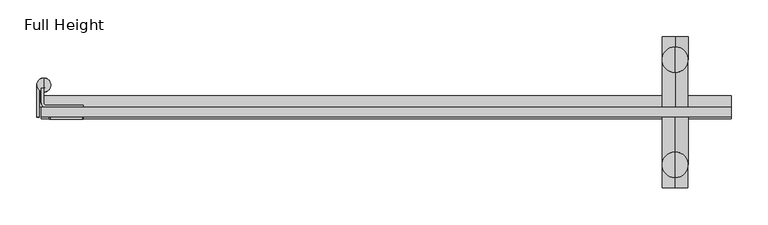
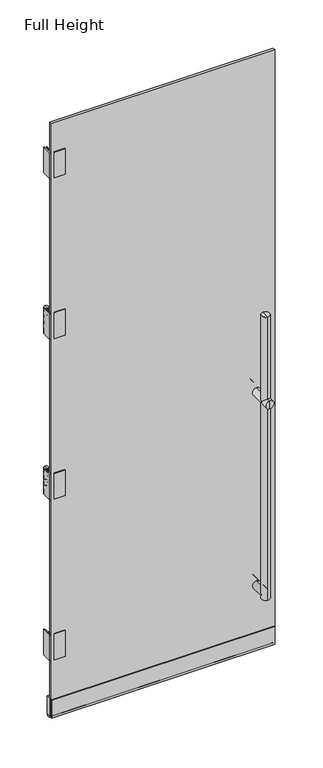
"""IFC4 building model written with IfcOpenShell, lengths in millimetres: plate geometry, Full Height."""

from ifc_helpers import new_model, si_unit, point, frame, frame_2d, origin, place, context, project, spatial, polyline, circle_curve, ellipse_curve, trimmed, segment, composite_curve, outline, extrude, source, transform, mapped, element, save
from ifc_brep_helpers import plane_surface, cylinder_surface, revolved_surface, advanced_brep


def full_height_bf06383c(model_context):
    return source(origin(), model_context, "Body", "SolidModel", [
        advanced_brep(
        [(393.4177824, 57.4935, 12.7), (393.4177824, 57.4935, 282.5375), (375.9177824, 74.9935, 300.0375), (393.4177824, 57.4935, 317.5375), (393.4177824, 57.4935, 1138.2127), (375.9177824, 74.9935, 1155.7127), (393.4177824, 92.4935, 1138.2127), (393.4177824, 92.4935, 12.7), (393.4177824, 92.4935, 1536.7), (393.4177824, 92.4935, 1173.2127), (393.4177824, 57.4935, 1173.2127), (393.4177824, 57.4935, 1536.7), (393.4177824, 74.9935, 1536.7), (393.4177824, -50.3815, 1536.7), (393.4177824, -67.8815, 1536.7), (393.4177824, -85.3815, 1536.7), (393.4177824, -85.3815, 282.5375), (393.4177824, -67.8815, 282.5375), (393.4177824, -50.3815, 282.5375), (393.4177824, 9.906, 282.5375), (410.9177824, 74.9935, 300.0375), (393.4177824, 9.906, 317.5375), (393.4177824, -2.794, 282.5375), (375.9177824, -67.8815, 300.0375), (393.4177824, -50.3815, 317.5375), (393.4177824, -2.794, 317.5375), (393.4177824, -2.794, 312.5375), (393.4177824, 9.906, 312.5375), (393.4177824, 9.906, 287.5375), (393.4177824, -2.794, 287.5375), (393.4177824, 105.906, 1138.2127), (393.4177824, 105.906, 1173.2127), (393.4177824, 9.906, 1173.2127), (393.4177824, 9.906, 1138.2127), (393.4177824, 9.906, 1168.2127), (393.4177824, 9.906, 1143.2127), (393.4177824, 105.906, 1155.7127), (410.9177824, 74.9935, 1155.7127), (393.4177824, -2.794, 1168.2127), (393.4177824, -2.794, 1143.2127), (393.4177824, -2.794, 1173.2127), (393.4177824, -2.794, 1138.2127), (393.4177824, -50.3815, 1173.2127), (410.9177824, -67.8815, 1155.7127), (393.4177824, -50.3815, 1138.2127), (393.4177824, -98.794, 1138.2127), (393.4177824, -85.3815, 1138.2127), (393.4177824, -85.3815, 1173.2127), (393.4177824, -98.794, 1173.2127), (375.9177824, -67.8815, 1155.7127), (393.4177824, -98.794, 1155.7127), (393.4177824, 74.9935, 12.7), (410.9177824, -67.8815, 300.0375)],
        [
            (0, 1),
            (1, 2, ellipse_curve(frame((393.4177824, 74.9935, 300.0375), z_axis=(0.0, 0.7071067811865475, -0.7071067811865476), x_axis=(0.0, 0.7071067811865476, 0.7071067811865474)), 24.7487373, 17.5)),
            (2, 3, ellipse_curve(frame((393.4177824, 74.9935, 300.0375), z_axis=(0.0, 0.7071067811865475, 0.7071067811865475), x_axis=(0.0, -0.7071067811865474, 0.7071067811865477)), 24.7487373, 17.5)),
            (3, 4),
            (4, 5, ellipse_curve(frame((393.4177824, 74.9935, 1155.7127), z_axis=(0.0, 0.7071067811865475, -0.7071067811865476), x_axis=(0.0, 0.7071067811865476, 0.7071067811865474)), 24.7487373, 17.5)),
            (5, 6, ellipse_curve(frame((393.4177824, 74.9935, 1155.7127), z_axis=(0.0, -0.7071067811865475, -0.7071067811865475), x_axis=(0.0, -0.7071067811865474, 0.7071067811865477)), 24.7487373, 17.5)),
            (6, 7),
            (7, 0, circle_curve(frame((393.4177824, 74.9935, 12.7), z_axis=(0.0, 0.0, 1.0), x_axis=(0.0, 1.0, 0.0)), 17.5)),
            (8, 9),
            (9, 5, ellipse_curve(frame((393.4177824, 74.9935, 1155.7127), z_axis=(0.0, -0.7071067811865475, 0.7071067811865476), x_axis=(0.0, 0.7071067811865476, 0.7071067811865474)), 24.7487373, 17.5)),
            (5, 10, ellipse_curve(frame((393.4177824, 74.9935, 1155.7127), z_axis=(0.0, 0.7071067811865475, 0.7071067811865475), x_axis=(0.0, -0.7071067811865474, 0.7071067811865477)), 24.7487373, 17.5)),
            (10, 11),
            (11, 8, circle_curve(frame((393.4177824, 74.9935, 1536.7), z_axis=(0.0, 0.0, -1.0), x_axis=(0.0, 1.0, 0.0)), 17.5)),
            (8, 12),
            (12, 11),
            (11, 8, circle_curve(frame((393.4177824, 74.9935, 1536.7), z_axis=(0.0, 0.0, 1.0), x_axis=(0.0, 1.0, 0.0)), 17.5)),
            (13, 14),
            (14, 15),
            (15, 13, circle_curve(frame((393.4177824, -67.8815, 1536.7), z_axis=(0.0, 0.0, 1.0), x_axis=(0.0, -1.0, 0.0)), 17.5)),
            (13, 15, circle_curve(frame((393.4177824, -67.8815, 1536.7), z_axis=(0.0, 0.0, 1.0), x_axis=(0.0, -1.0, 0.0)), 17.5)),
            (16, 17),
            (17, 18),
            (18, 16, circle_curve(frame((393.4177824, -67.8815, 282.5375), z_axis=(0.0, 0.0, -1.0), x_axis=(0.0, -1.0, 0.0)), 17.5)),
            (19, 1),
            (1, 20, ellipse_curve(frame((393.4177824, 74.9935, 300.0375), z_axis=(0.0, -0.7071067811865475, 0.7071067811865476), x_axis=(0.0, 0.7071067811865476, 0.7071067811865475)), 24.7487373, 17.5)),
            (20, 3, ellipse_curve(frame((393.4177824, 74.9935, 300.0375), z_axis=(0.0, -0.7071067811865475, -0.7071067811865475), x_axis=(0.0, 0.7071067811865476, -0.7071067811865474)), 24.7487373, 17.5)),
            (3, 21),
            (21, 19, circle_curve(frame((393.4177824, 9.906, 300.0375), z_axis=(0.0, 1.0, 0.0), x_axis=(0.0, 0.0, -1.0)), 17.5)),
            (19, 21, circle_curve(frame((393.4177824, 9.906, 300.0375), z_axis=(0.0, 1.0, 0.0), x_axis=(0.0, 0.0, -1.0)), 17.5)),
            (22, 18),
            (18, 23, ellipse_curve(frame((393.4177824, -67.8815, 300.0375), z_axis=(0.0, 0.7071067811865475, 0.7071067811865476), x_axis=(0.0, 0.7071067811865476, -0.7071067811865475)), 24.7487373, 17.5)),
            (23, 24, ellipse_curve(frame((393.4177824, -67.8815, 300.0375), z_axis=(0.0, 0.7071067811865475, -0.7071067811865475), x_axis=(0.0, 0.7071067811865476, 0.7071067811865474)), 24.7487373, 17.5)),
            (24, 25),
            (25, 22, circle_curve(frame((393.4177824, -2.794, 300.0375), z_axis=(0.0, -1.0, 0.0), x_axis=(0.0, 0.0, -1.0)), 17.5)),
            (26, 27),
            (27, 28, circle_curve(frame((393.4177824, 9.906, 300.0375), z_axis=(0.0, -1.0, 0.0), x_axis=(0.0, 0.0, -1.0)), 12.5)),
            (28, 29),
            (29, 26, circle_curve(frame((393.4177824, -2.794, 300.0375), z_axis=(0.0, 1.0, 0.0), x_axis=(0.0, 0.0, -1.0)), 12.5)),
            (19, 28),
            (27, 21),
            (30, 6),
            (9, 31),
            (31, 30, circle_curve(frame((393.4177824, 105.906, 1155.7127), z_axis=(0.0, -1.0, 0.0), x_axis=(0.0, 0.0, 1.0)), 17.5)),
            (32, 10),
            (4, 33),
            (33, 32, circle_curve(frame((393.4177824, 9.906, 1155.7127), z_axis=(0.0, 1.0, 0.0), x_axis=(0.0, 0.0, 1.0)), 17.5)),
            (32, 34),
            (34, 35, circle_curve(frame((393.4177824, 9.906, 1155.7127), z_axis=(0.0, 1.0, 0.0), x_axis=(0.0, 0.0, 1.0)), 12.5)),
            (35, 33),
            (33, 32, circle_curve(frame((393.4177824, 9.906, 1155.7127), z_axis=(0.0, -1.0, 0.0), x_axis=(0.0, 0.0, 1.0)), 17.5)),
            (30, 36),
            (36, 31),
            (31, 30, circle_curve(frame((393.4177824, 105.906, 1155.7127), z_axis=(0.0, 1.0, 0.0), x_axis=(0.0, 0.0, 1.0)), 17.5)),
            (9, 37, ellipse_curve(frame((393.4177824, 74.9935, 1155.7127), z_axis=(0.0, 0.7071067811865475, -0.7071067811865476), x_axis=(0.0, -0.7071067811865476, -0.7071067811865475)), 24.7487373, 17.5)),
            (37, 6, ellipse_curve(frame((393.4177824, 74.9935, 1155.7127), z_axis=(0.0, 0.7071067811865475, 0.7071067811865475), x_axis=(0.0, -0.7071067811865476, 0.7071067811865474)), 24.7487373, 17.5)),
            (4, 37, ellipse_curve(frame((393.4177824, 74.9935, 1155.7127), z_axis=(0.0, -0.7071067811865475, 0.7071067811865476), x_axis=(0.0, -0.7071067811865476, -0.7071067811865475)), 24.7487373, 17.5)),
            (37, 10, ellipse_curve(frame((393.4177824, 74.9935, 1155.7127), z_axis=(0.0, -0.7071067811865475, -0.7071067811865475), x_axis=(0.0, -0.7071067811865476, 0.7071067811865474)), 24.7487373, 17.5)),
            (35, 34, circle_curve(frame((393.4177824, 9.906, 1155.7127), z_axis=(0.0, 1.0, 0.0), x_axis=(0.0, 0.0, 1.0)), 12.5)),
            (34, 38),
            (38, 39, circle_curve(frame((393.4177824, -2.794, 1155.7127), z_axis=(0.0, 1.0, 0.0), x_axis=(0.0, 0.0, 1.0)), 12.5)),
            (39, 35),
            (39, 38, circle_curve(frame((393.4177824, -2.794, 1155.7127), z_axis=(0.0, 1.0, 0.0), x_axis=(0.0, 0.0, 1.0)), 12.5)),
            (38, 40),
            (40, 41, circle_curve(frame((393.4177824, -2.794, 1155.7127), z_axis=(0.0, 1.0, 0.0), x_axis=(0.0, 0.0, 1.0)), 17.5)),
            (41, 39),
            (41, 40, circle_curve(frame((393.4177824, -2.794, 1155.7127), z_axis=(0.0, 1.0, 0.0), x_axis=(0.0, 0.0, 1.0)), 17.5)),
            (40, 42),
            (42, 43, ellipse_curve(frame((393.4177824, -67.8815, 1155.7127), z_axis=(0.0, 0.7071067811865475, -0.7071067811865475), x_axis=(0.0, -0.7071067811865476, -0.7071067811865474)), 24.7487373, 17.5)),
            (43, 44, ellipse_curve(frame((393.4177824, -67.8815, 1155.7127), z_axis=(0.0, 0.7071067811865475, 0.7071067811865476), x_axis=(0.0, -0.7071067811865476, 0.7071067811865475)), 24.7487373, 17.5)),
            (44, 41),
            (45, 46),
            (46, 43, ellipse_curve(frame((393.4177824, -67.8815, 1155.7127), z_axis=(0.0, -0.7071067811865475, 0.7071067811865475), x_axis=(0.0, -0.7071067811865476, -0.7071067811865474)), 24.7487373, 17.5)),
            (43, 47, ellipse_curve(frame((393.4177824, -67.8815, 1155.7127), z_axis=(0.0, -0.7071067811865475, -0.7071067811865476), x_axis=(0.0, -0.7071067811865476, 0.7071067811865475)), 24.7487373, 17.5)),
            (47, 48),
            (48, 45, circle_curve(frame((393.4177824, -98.794, 1155.7127), z_axis=(0.0, 1.0, 0.0), x_axis=(0.0, 0.0, 1.0)), 17.5)),
            (44, 49, ellipse_curve(frame((393.4177824, -67.8815, 1155.7127), z_axis=(0.0, 0.7071067811865475, 0.7071067811865476), x_axis=(0.0, -0.7071067811865476, 0.7071067811865475)), 24.7487373, 17.5)),
            (49, 42, ellipse_curve(frame((393.4177824, -67.8815, 1155.7127), z_axis=(0.0, 0.7071067811865475, -0.7071067811865475), x_axis=(0.0, -0.7071067811865476, -0.7071067811865474)), 24.7487373, 17.5)),
            (47, 49, ellipse_curve(frame((393.4177824, -67.8815, 1155.7127), z_axis=(0.0, -0.7071067811865475, -0.7071067811865476), x_axis=(0.0, -0.7071067811865476, 0.7071067811865475)), 24.7487373, 17.5)),
            (49, 46, ellipse_curve(frame((393.4177824, -67.8815, 1155.7127), z_axis=(0.0, -0.7071067811865475, 0.7071067811865475), x_axis=(0.0, -0.7071067811865476, -0.7071067811865474)), 24.7487373, 17.5)),
            (45, 48, circle_curve(frame((393.4177824, -98.794, 1155.7127), z_axis=(0.0, 1.0, 0.0), x_axis=(0.0, 0.0, 1.0)), 17.5)),
            (48, 50),
            (50, 45),
            (0, 51),
            (51, 7),
            (7, 0, circle_curve(frame((393.4177824, 74.9935, 12.7), z_axis=(0.0, 0.0, -1.0), x_axis=(0.0, 1.0, 0.0)), 17.5)),
            (15, 47),
            (42, 13),
            (18, 52, ellipse_curve(frame((393.4177824, -67.8815, 300.0375), z_axis=(0.0, -0.7071067811865475, -0.7071067811865476), x_axis=(0.0, 0.7071067811865476, -0.7071067811865474)), 24.7487373, 17.5)),
            (52, 24, ellipse_curve(frame((393.4177824, -67.8815, 300.0375), z_axis=(0.0, -0.7071067811865475, 0.7071067811865475), x_axis=(0.0, -0.7071067811865474, -0.7071067811865477)), 24.7487373, 17.5)),
            (24, 44),
            (46, 16),
            (18, 16, circle_curve(frame((393.4177824, -67.8815, 282.5375), z_axis=(0.0, 0.0, 1.0), x_axis=(0.0, -1.0, 0.0)), 17.5)),
            (22, 25, circle_curve(frame((393.4177824, -2.794, 300.0375), z_axis=(0.0, -1.0, 0.0), x_axis=(0.0, 0.0, -1.0)), 17.5)),
            (22, 29),
            (29, 26, circle_curve(frame((393.4177824, -2.794, 300.0375), z_axis=(0.0, -1.0, 0.0), x_axis=(0.0, 0.0, -1.0)), 12.5)),
            (26, 25),
            (28, 27, circle_curve(frame((393.4177824, 9.906, 300.0375), z_axis=(0.0, -1.0, 0.0), x_axis=(0.0, 0.0, -1.0)), 12.5)),
        ],
        [
            cylinder_surface(frame((393.4177824, 74.9935, 12.7), z_axis=(0.0, 0.0, 1.0), x_axis=(0.0, 1.0, 0.0)), 17.5),
            plane_surface(frame((393.4177824, 74.9935, 1536.7), z_axis=(0.0, 0.0, 1.0), x_axis=(0.0, 1.0, 0.0))),
            plane_surface(frame((393.4177824, -67.8815, 1536.7), z_axis=(0.0, 0.0, 1.0), x_axis=(0.0, -1.0, 0.0))),
            plane_surface(frame((393.4177824, -67.8815, 282.5375), z_axis=(0.0, 0.0, -1.0), x_axis=(0.0, -1.0, 0.0))),
            cylinder_surface(frame((393.4177824, 135.7263601, 300.0375), z_axis=(0.0, 1.0, 0.0), x_axis=(0.0, 0.0, -1.0)), 17.5),
            cylinder_surface(frame((393.4177824, 135.7263601, 300.0375), z_axis=(0.0, 1.0, 0.0), x_axis=(0.0, 0.0, -1.0)), 12.5),
            plane_surface(frame((393.4177824, 9.906, 300.0375), z_axis=(0.0, -1.0, 0.0), x_axis=(0.0, 0.0, -1.0))),
            cylinder_surface(frame((393.4177824, 135.7263601, 1155.7127), z_axis=(0.0, -1.0, 0.0), x_axis=(0.0, 0.0, 1.0)), 17.5),
            plane_surface(frame((393.4177824, 9.906, 1155.7127), z_axis=(0.0, -1.0, 0.0), x_axis=(0.0, 0.0, 1.0))),
            plane_surface(frame((393.4177824, 105.906, 1155.7127), z_axis=(0.0, 1.0, 0.0), x_axis=(0.0, 0.0, 1.0))),
            cylinder_surface(frame((393.4177824, 135.7263601, 1155.7127), z_axis=(0.0, -1.0, 0.0), x_axis=(0.0, 0.0, 1.0)), 12.5),
            plane_surface(frame((393.4177824, -2.794, 1155.7127), z_axis=(0.0, 1.0, 0.0), x_axis=(0.0, 0.0, 1.0))),
            plane_surface(frame((393.4177824, -98.794, 1155.7127), z_axis=(0.0, -1.0, 0.0), x_axis=(0.0, 0.0, 1.0))),
            plane_surface(frame((393.4177824, 74.9935, 12.7), z_axis=(0.0, 0.0, -1.0), x_axis=(0.0, 1.0, 0.0))),
            cylinder_surface(frame((393.4177824, -67.8815, 12.7), z_axis=(0.0, 0.0, -1.0), x_axis=(0.0, -1.0, 0.0)), 17.5),
            plane_surface(frame((393.4177824, -2.794, 300.0375), z_axis=(0.0, 1.0, 0.0), x_axis=(0.0, 0.0, -1.0))),
        ],
        [
            (0, [[1, 2, 3, 4, 5, 6, 7, 8]]),
            (0, [[9, 10, 11, 12, 13]]),
            (1, [[14, 15, 16]]),
            (2, [[17, 18, 19]]),
            (2, [[-17, 20, -18]]),
            (3, [[21, 22, 23]]),
            (4, [[24, 25, 26, 27, 28]]),
            (4, [[-27, -3, -2, -24, 29]]),
            (4, [[30, 31, 32, 33, 34]]),
            (5, [[35, 36, 37, 38]]),
            (6, [[39, -36, 40, -29]]),
            (7, [[41, -6, -10, 42, 43]]),
            (7, [[44, -11, -5, 45, 46]]),
            (8, [[47, 48, 49, 50]]),
            (9, [[51, 52, 53]]),
            (9, [[-51, -43, -52]]),
            (7, [[-42, 54, 55, -41, -53]]),
            (7, [[-45, 56, 57, -44, -50]]),
            (8, [[-49, 58, -47, -46]]),
            (10, [[59, 60, 61, -48]]),
            (10, [[-61, 62, -59, -58]]),
            (11, [[63, 64, 65, -60]]),
            (11, [[-65, 66, -63, -62]]),
            (7, [[67, 68, 69, 70, -64]]),
            (7, [[71, 72, 73, 74, 75]]),
            (7, [[-70, 76, 77, -67, -66]]),
            (7, [[-74, 78, 79, -71, 80]]),
            (12, [[81, 82, -75]]),
            (12, [[-82, -81, -80]]),
            (13, [[83, 84, 85]]),
            (13, [[-83, -8, -84]]),
            (0, [[-12, -57, -54, -9, -16]]),
            (0, [[-7, -55, -56, -4, -26, -25, -1, -85]]),
            (1, [[-15, -14, -13]]),
            (14, [[86, -73, -68, 87, -19]]),
            (14, [[88, 89, 90, -69, -72, 91, -23]]),
            (14, [[-91, -79, -76, -90, -32, -31, 92]]),
            (14, [[-87, -77, -78, -86, -20]]),
            (3, [[-22, -21, -92]]),
            (4, [[-33, -89, -88, -30, 93]]),
            (15, [[94, 95, 96, -93]]),
            (15, [[-96, -38, -94, -34]]),
            (5, [[-37, 97, -35, -95]]),
            (6, [[-40, -97, -39, -28]]),
        ],
    ),
        extrude(outline(composite_curve([segment(polyline([(23.876, 10.668), (23.876, 8.382)]), True, "CONTINUOUS"), segment(trimmed(circle_curve(frame_2d((21.844, 8.382)), 2.032), [point((23.876, 8.382))], [point((21.844, 6.35))], False, "CARTESIAN"), True, "CONTINUOUS"), segment(polyline([(21.844, 6.35), (11.938, 6.35)]), True, "CONTINUOUS"), segment(trimmed(circle_curve(frame_2d((11.938, 8.382)), 2.032), [point((11.938, 6.35))], [point((9.906, 8.382))], False, "CARTESIAN"), True, "CONTINUOUS"), segment(polyline([(9.906, 8.382), (9.906, 10.668), (23.876, 10.668)]), True, "CONTINUOUS")], self_intersect=False)), frame((-467.8397824, 0.0, 0.0), z_axis=(1.0, 0.0, 0.0), x_axis=(0.0, 1.0, 0.0)), (0.0, 0.0, 1.0), 937.4575648),
        extrude(outline(polyline([(-2.794, 90.932), (-2.794, 12.7), (9.906, 12.7), (9.906, 90.932), (25.908, 90.932), (25.908, 10.668), (-4.826, 10.668), (-4.826, 90.932), (-2.794, 90.932)])), frame((-467.8397824, 0.0, 0.0), z_axis=(1.0, 0.0, 0.0), x_axis=(0.0, 1.0, 0.0)), (0.0, 0.0, 1.0), 937.4575648),
        extrude(outline(composite_curve([segment(trimmed(circle_curve(frame_2d((1803.8233333, -412.4677824)), 1.27), [point((1803.8233333, -411.1977824))], [point((1805.0933333, -412.4677824))], False, "CARTESIAN"), True, "CONTINUOUS"), segment(polyline([(1805.0933333, -412.4677824), (1805.0933333, -455.9271824)]), True, "CONTINUOUS"), segment(trimmed(circle_curve(frame_2d((1803.8233333, -455.9271824)), 1.27), [point((1805.0933333, -455.9271824))], [point((1803.8233333, -457.1971824))], False, "CARTESIAN"), True, "CONTINUOUS"), segment(polyline([(1803.8233333, -457.1971824), (1692.0633333, -457.1971824)]), True, "CONTINUOUS"), segment(trimmed(circle_curve(frame_2d((1692.0633333, -455.9271824)), 1.27), [point((1692.0633333, -457.1971824))], [point((1690.7933333, -455.9271824))], False, "CARTESIAN"), True, "CONTINUOUS"), segment(polyline([(1690.7933333, -455.9271824), (1690.7933333, -412.4677824)]), True, "CONTINUOUS"), segment(trimmed(circle_curve(frame_2d((1692.0633333, -412.4677824)), 1.27), [point((1690.7933333, -412.4677824))], [point((1692.0633333, -411.1977824))], False, "CARTESIAN"), True, "CONTINUOUS"), segment(polyline([(1692.0633333, -411.1977824), (1803.8233333, -411.1977824)]), True, "CONTINUOUS")], self_intersect=False)), frame((0.0, -5.842, 0.0), z_axis=(0.0, 1.0, 0.0), x_axis=(0.0, 0.0, 1.0)), (0.0, 0.0, 1.0), 3.048),
        extrude(outline(composite_curve([segment(polyline([(980.0166667, -411.1977824), (1091.7766667, -411.1977824)]), True, "CONTINUOUS"), segment(trimmed(circle_curve(frame_2d((1091.7766667, -412.4677824)), 1.27), [point((1091.7766667, -411.1977824))], [point((1093.0466667, -412.4677824))], False, "CARTESIAN"), True, "CONTINUOUS"), segment(polyline([(1093.0466667, -412.4677824), (1093.0466667, -455.9271824)]), True, "CONTINUOUS"), segment(trimmed(circle_curve(frame_2d((1091.7766667, -455.9271824)), 1.27), [point((1093.0466667, -455.9271824))], [point((1091.7766667, -457.1971824))], False, "CARTESIAN"), True, "CONTINUOUS"), segment(polyline([(1091.7766667, -457.1971824), (980.0166667, -457.1971824)]), True, "CONTINUOUS"), segment(trimmed(circle_curve(frame_2d((980.0166667, -455.9271824)), 1.27), [point((980.0166667, -457.1971824))], [point((978.7466667, -455.9271824))], False, "CARTESIAN"), True, "CONTINUOUS"), segment(polyline([(978.7466667, -455.9271824), (978.7466667, -412.4677824)]), True, "CONTINUOUS"), segment(trimmed(circle_curve(frame_2d((980.0166667, -412.4677824)), 1.27), [point((978.7466667, -412.4677824))], [point((980.0166667, -411.1977824))], False, "CARTESIAN"), True, "CONTINUOUS")], self_intersect=False)), frame((0.0, -5.842, 0.0), z_axis=(0.0, 1.0, 0.0), x_axis=(0.0, 0.0, 1.0)), (0.0, 0.0, 1.0), 3.048),
        extrude(outline(composite_curve([segment(polyline([(-469.2113824, 32.11777), (-469.2113824, 16.7386)]), True, "CONTINUOUS"), segment(trimmed(circle_curve(frame_2d((-465.7823824, 16.7386)), 3.429), [point((-469.2113824, 16.7386))], [point((-465.7823824, 13.3096))], True, "CARTESIAN"), True, "CONTINUOUS"), segment(polyline([(-465.7823824, 13.3096), (-411.1977824, 13.3096), (-411.1977824, 9.906), (-465.7823824, 9.906)]), True, "CONTINUOUS"), segment(trimmed(circle_curve(frame_2d((-465.7823824, 16.7386)), 6.8326), [point((-465.7823824, 9.906))], [point((-472.6149824, 16.7386))], False, "CARTESIAN"), True, "CONTINUOUS"), segment(polyline([(-472.6149824, 16.7386), (-472.6149824, 35.2416544)]), True, "CONTINUOUS"), segment(trimmed(circle_curve(frame_2d((-464.6647824, 40.4876)), 9.525), [point((-472.6149824, 35.2416544))], [point((-469.2113824, 32.11777))], True, "CARTESIAN"), True, "CONTINUOUS")], self_intersect=False)), frame((0.0, 0.0, 978.7466667), z_axis=(0.0, 0.0, 1.0), x_axis=(1.0, 0.0, 0.0)), (0.0, 0.0, 1.0), 114.3),
        extrude(outline(composite_curve([segment(polyline([(-411.1977824, 13.3096), (-411.1977824, 9.906), (-465.7823824, 9.906)]), True, "CONTINUOUS"), segment(trimmed(circle_curve(frame_2d((-465.7823824, 16.7386)), 6.8326), [point((-465.7823824, 9.906))], [point((-472.6149824, 16.7386))], False, "CARTESIAN"), True, "CONTINUOUS"), segment(polyline([(-472.6149824, 16.7386), (-472.6149824, 35.2416544)]), True, "CONTINUOUS"), segment(trimmed(circle_curve(frame_2d((-464.6647824, 40.4876)), 9.525), [point((-472.6149824, 35.2416544))], [point((-469.2113824, 32.11777))], True, "CARTESIAN"), True, "CONTINUOUS"), segment(polyline([(-469.2113824, 32.11777), (-469.2113824, 16.7386)]), True, "CONTINUOUS"), segment(trimmed(circle_curve(frame_2d((-465.7823824, 16.7386)), 3.429), [point((-469.2113824, 16.7386))], [point((-465.7823824, 13.3096))], True, "CARTESIAN"), True, "CONTINUOUS"), segment(polyline([(-465.7823824, 13.3096), (-411.1977824, 13.3096)]), True, "CONTINUOUS")], self_intersect=False)), frame((0.0, 0.0, 1690.7933333), z_axis=(0.0, 0.0, 1.0), x_axis=(1.0, 0.0, 0.0)), (0.0, 0.0, 1.0), 114.3),
        extrude(outline(composite_curve([segment(trimmed(circle_curve(frame_2d((-467.0777824, 42.9006)), 7.112), [point((-467.8397824, 35.8295393))], [point((-463.108294, 36.9994386))], True, "CARTESIAN"), True, "CONTINUOUS"), segment(trimmed(circle_curve(frame_2d((-460.9817824, 33.8381021)), 3.81), [point((-463.108294, 36.9994386))], [point((-464.7917824, 33.8381021))], True, "CARTESIAN"), True, "CONTINUOUS"), segment(polyline([(-464.7917824, 33.8381021), (-464.7917824, 16.002)]), True, "CONTINUOUS"), segment(trimmed(circle_curve(frame_2d((-461.7437824, 16.002)), 3.048), [point((-464.7917824, 16.002))], [point((-461.7437824, 12.954))], True, "CARTESIAN"), True, "CONTINUOUS"), segment(polyline([(-461.7437824, 12.954), (-411.1977824, 12.954), (-411.1977824, 9.906), (-461.7437824, 9.906)]), True, "CONTINUOUS"), segment(trimmed(circle_curve(frame_2d((-461.7437824, 16.002)), 6.096), [point((-461.7437824, 9.906))], [point((-467.8397824, 16.002))], False, "CARTESIAN"), True, "CONTINUOUS"), segment(polyline([(-467.8397824, 16.002), (-467.8397824, 35.8295393)]), True, "CONTINUOUS")], self_intersect=False)), frame((0.0, 0.0, 2402.84), z_axis=(0.0, 0.0, 1.0), x_axis=(1.0, 0.0, 0.0)), (0.0, 0.0, 1.0), 114.3),
        extrude(outline(composite_curve([segment(trimmed(circle_curve(frame_2d((379.73, -455.9271824)), 1.27), [point((381.0, -455.9271824))], [point((379.73, -457.1971824))], False, "CARTESIAN"), True, "CONTINUOUS"), segment(polyline([(379.73, -457.1971824), (267.97, -457.1971824)]), True, "CONTINUOUS"), segment(trimmed(circle_curve(frame_2d((267.97, -455.9271824)), 1.27), [point((267.97, -457.1971824))], [point((266.7, -455.9271824))], False, "CARTESIAN"), True, "CONTINUOUS"), segment(polyline([(266.7, -455.9271824), (266.7, -412.4677824)]), True, "CONTINUOUS"), segment(trimmed(circle_curve(frame_2d((267.97, -412.4677824)), 1.27), [point((266.7, -412.4677824))], [point((267.97, -411.1977824))], False, "CARTESIAN"), True, "CONTINUOUS"), segment(polyline([(267.97, -411.1977824), (379.73, -411.1977824)]), True, "CONTINUOUS"), segment(trimmed(circle_curve(frame_2d((379.73, -412.4677824)), 1.27), [point((379.73, -411.1977824))], [point((381.0, -412.4677824))], False, "CARTESIAN"), True, "CONTINUOUS"), segment(polyline([(381.0, -412.4677824), (381.0, -455.9271824)]), True, "CONTINUOUS")], self_intersect=False)), frame((0.0, -5.842, 0.0), z_axis=(0.0, 1.0, 0.0), x_axis=(0.0, 0.0, 1.0)), (0.0, 0.0, 1.0), 3.048),
        extrude(outline(composite_curve([segment(trimmed(circle_curve(frame_2d((2515.87, -455.9271824)), 1.27), [point((2517.14, -455.9271824))], [point((2515.87, -457.1971824))], False, "CARTESIAN"), True, "CONTINUOUS"), segment(polyline([(2515.87, -457.1971824), (2404.11, -457.1971824)]), True, "CONTINUOUS"), segment(trimmed(circle_curve(frame_2d((2404.11, -455.9271824)), 1.27), [point((2404.11, -457.1971824))], [point((2402.84, -455.9271824))], False, "CARTESIAN"), True, "CONTINUOUS"), segment(polyline([(2402.84, -455.9271824), (2402.84, -412.4677824)]), True, "CONTINUOUS"), segment(trimmed(circle_curve(frame_2d((2404.11, -412.4677824)), 1.27), [point((2402.84, -412.4677824))], [point((2404.11, -411.1977824))], False, "CARTESIAN"), True, "CONTINUOUS"), segment(polyline([(2404.11, -411.1977824), (2515.87, -411.1977824)]), True, "CONTINUOUS"), segment(trimmed(circle_curve(frame_2d((2515.87, -412.4677824)), 1.27), [point((2515.87, -411.1977824))], [point((2517.14, -412.4677824))], False, "CARTESIAN"), True, "CONTINUOUS"), segment(polyline([(2517.14, -412.4677824), (2517.14, -455.9271824)]), True, "CONTINUOUS")], self_intersect=False)), frame((0.0, -5.842, 0.0), z_axis=(0.0, 1.0, 0.0), x_axis=(0.0, 0.0, 1.0)), (0.0, 0.0, 1.0), 3.048),
        extrude(outline(composite_curve([segment(polyline([(-472.6149824, 16.7386), (-472.6149824, 35.2416544)]), True, "CONTINUOUS"), segment(trimmed(circle_curve(frame_2d((-464.6647824, 40.4876)), 9.525), [point((-472.6149824, 35.2416544))], [point((-469.2113824, 32.11777))], True, "CARTESIAN"), True, "CONTINUOUS"), segment(polyline([(-469.2113824, 32.11777), (-469.2113824, 16.7386)]), True, "CONTINUOUS"), segment(trimmed(circle_curve(frame_2d((-465.7823824, 16.7386)), 3.429), [point((-469.2113824, 16.7386))], [point((-465.7823824, 13.3096))], True, "CARTESIAN"), True, "CONTINUOUS"), segment(polyline([(-465.7823824, 13.3096), (-411.1977824, 13.3096), (-411.1977824, 9.906), (-465.7823824, 9.906)]), True, "CONTINUOUS"), segment(trimmed(circle_curve(frame_2d((-465.7823824, 16.7386)), 6.8326), [point((-465.7823824, 9.906))], [point((-472.6149824, 16.7386))], False, "CARTESIAN"), True, "CONTINUOUS")], self_intersect=False)), frame((0.0, 0.0, 266.7), z_axis=(0.0, 0.0, 1.0), x_axis=(1.0, 0.0, 0.0)), (0.0, 0.0, 1.0), 114.3),
        extrude(outline(polyline([(469.6177824, 9.906), (469.6177824, -2.794), (-467.8397824, -2.794), (-467.8397824, 9.906), (469.6177824, 9.906)])), frame((0.0, 0.0, 12.7), z_axis=(0.0, 0.0, 1.0), x_axis=(1.0, 0.0, 0.0)), (0.0, 0.0, 1.0), 2631.44),
        extrude(outline(composite_curve([segment(trimmed(circle_curve(frame_2d((-464.6647824, 40.4876)), 9.525), [point((-474.1897824, 40.4876))], [point((-470.7861824, 33.1900602))], True, "CARTESIAN"), True, "CONTINUOUS"), segment(polyline([(-470.7861824, 33.1900602), (-470.7861824, -2.794), (-474.1897824, -2.794), (-474.1897824, 40.4876)]), True, "CONTINUOUS")], self_intersect=False)), frame((0.0, 0.0, 1690.7933333), z_axis=(0.0, 0.0, 1.0), x_axis=(1.0, 0.0, 0.0)), (0.0, 0.0, 1.0), 114.3),
        extrude(outline(composite_curve([segment(trimmed(circle_curve(frame_2d((-464.6647824, 40.4876)), 9.525), [point((-474.1897824, 40.4876))], [point((-470.7861824, 33.1900602))], True, "CARTESIAN"), True, "CONTINUOUS"), segment(polyline([(-470.7861824, 33.1900602), (-470.7861824, -2.794), (-474.1897824, -2.794), (-474.1897824, 40.4876)]), True, "CONTINUOUS")], self_intersect=False)), frame((0.0, 0.0, 978.7466667), z_axis=(0.0, 0.0, 1.0), x_axis=(1.0, 0.0, 0.0)), (0.0, 0.0, 1.0), 114.3),
        advanced_brep(
        [(-474.1897824, -2.794, 2517.14), (-470.7861824, -2.794, 2517.14), (-470.7861824, 33.1900602, 2517.14), (-474.1897824, 40.4876, 2517.14), (-474.1897824, -2.794, 2402.84), (-474.1897824, 40.4876, 2402.84), (-470.7861824, 33.1900602, 2402.84), (-470.7861824, -2.794, 2402.84)],
        [
            (0, 1),
            (1, 2),
            (2, 3, circle_curve(frame((-464.6647824, 40.4876, 2517.14), z_axis=(0.0, 0.0, -1.0), x_axis=(-1.0, 0.0, 0.0)), 9.525)),
            (3, 0),
            (4, 5),
            (5, 6, circle_curve(frame((-464.6647824, 40.4876, 2402.84), z_axis=(0.0, 0.0, 1.0), x_axis=(-1.0, 0.0, 0.0)), 9.525)),
            (6, 7),
            (7, 4),
            (3, 5),
            (4, 0),
            (2, 6),
            (1, 7),
        ],
        [
            plane_surface(frame((-474.1897824, -2.794, 2517.14), z_axis=(0.0, 0.0, 1.0), x_axis=(0.0, 1.0, 0.0))),
            plane_surface(frame((-474.1897824, -2.794, 2402.84), z_axis=(0.0, 0.0, -1.0), x_axis=(0.0, -1.0, 0.0))),
            plane_surface(frame((-474.1897824, -2.794, 2517.14), z_axis=(-1.0, 0.0, 0.0), x_axis=(0.0, 0.0, -1.0))),
            revolved_surface(polyline([(-474.18978239999996, 40.4876, 2402.84), (-474.18978239999996, 40.4876, 2517.14)]), (-464.6647824, 40.4876, 2402.84), (0.0, 0.0, -1.0)),
            plane_surface(frame((-470.7861824, 33.1900602, 2517.14), z_axis=(1.0, 0.0, 0.0), x_axis=(0.0, 0.0, -1.0))),
            plane_surface(frame((-470.7861824, -2.794, 2517.14), z_axis=(0.0, -1.0, 0.0), x_axis=(0.0, 0.0, -1.0))),
        ],
        [
            (0, [[1, 2, 3, 4]]),
            (1, [[5, 6, 7, 8]]),
            (2, [[9, -5, 10, -4]]),
            (3, [[11, -6, -9, -3]]),
            (4, [[12, -7, -11, -2]]),
            (5, [[-10, -8, -12, -1]]),
        ],
    ),
        extrude(outline(composite_curve([segment(trimmed(circle_curve(frame_2d((-464.6647824, 40.4876)), 9.525), [point((-474.1897824, 40.4876))], [point((-470.7861824, 33.1900602))], True, "CARTESIAN"), True, "CONTINUOUS"), segment(polyline([(-470.7861824, 33.1900602), (-470.7861824, -2.794), (-474.1897824, -2.794), (-474.1897824, 40.4876)]), True, "CONTINUOUS")], self_intersect=False)), frame((0.0, 0.0, 266.7), z_axis=(0.0, 0.0, 1.0), x_axis=(1.0, 0.0, 0.0)), (0.0, 0.0, 1.0), 114.3),
        advanced_brep(
        [(-464.6647824, 40.4876, 1784.7733333), (-464.6647824, 30.9626, 1784.7733333), (-464.6647824, 50.0126, 1784.7733333), (-464.6647824, 30.9626, 1805.0933333), (-464.6647824, 40.4876, 1805.0933333), (-464.6647824, 50.0126, 1805.0933333)],
        [
            (0, 1),
            (1, 2, circle_curve(frame((-464.6647824, 40.4876, 1784.7733333), z_axis=(0.0, 0.0, -1.0), x_axis=(0.0, 1.0, 0.0)), 9.525)),
            (2, 0),
            (2, 1, circle_curve(frame((-464.6647824, 40.4876, 1784.7733333), z_axis=(0.0, 0.0, -1.0), x_axis=(0.0, 1.0, 0.0)), 9.525)),
            (3, 4),
            (4, 5),
            (5, 3, circle_curve(frame((-464.6647824, 40.4876, 1805.0933333), z_axis=(0.0, 0.0, 1.0), x_axis=(0.0, 1.0, 0.0)), 9.525)),
            (3, 5, circle_curve(frame((-464.6647824, 40.4876, 1805.0933333), z_axis=(0.0, 0.0, 1.0), x_axis=(0.0, 1.0, 0.0)), 9.525)),
            (1, 3),
            (5, 2),
        ],
        [
            plane_surface(frame((-464.6647824, 40.4876, 1784.7733333), z_axis=(0.0, 0.0, -1.0), x_axis=(0.0, 1.0, 0.0))),
            plane_surface(frame((-464.6647824, 40.4876, 1805.0933333), z_axis=(0.0, 0.0, 1.0), x_axis=(0.0, 1.0, 0.0))),
            cylinder_surface(frame((-464.6647824, 40.4876, 1627.2933333), z_axis=(0.0, 0.0, -1.0), x_axis=(0.0, 1.0, 0.0)), 9.525),
        ],
        [
            (0, [[1, 2, 3]]),
            (0, [[-3, 4, -1]]),
            (1, [[5, 6, 7]]),
            (1, [[-6, -5, 8]]),
            (2, [[9, -7, 10, -2]]),
            (2, [[-10, -8, -9, -4]]),
        ],
    ),
        advanced_brep(
        [(-464.6647824, 30.9626, 1758.6113333), (-464.6647824, 30.9626, 1763.9453333), (-464.6647824, 50.0126, 1763.9453333), (-464.6647824, 50.0126, 1758.6113333), (-464.6647824, 40.4876, 1758.1033333), (-464.6647824, 31.4706, 1758.1033333), (-464.6647824, 49.5046, 1758.1033333), (-464.6647824, 31.4706, 1764.4533333), (-464.6647824, 40.4876, 1764.4533333), (-464.6647824, 49.5046, 1764.4533333)],
        [
            (0, 1),
            (1, 2, circle_curve(frame((-464.6647824, 40.4876, 1763.9453333), z_axis=(0.0, 0.0, -1.0), x_axis=(0.0, 1.0, 0.0)), 9.525)),
            (2, 3),
            (3, 0, circle_curve(frame((-464.6647824, 40.4876, 1758.6113333), z_axis=(0.0, 0.0, 1.0), x_axis=(0.0, 1.0, 0.0)), 9.525)),
            (2, 1, circle_curve(frame((-464.6647824, 40.4876, 1763.9453333), z_axis=(0.0, 0.0, -1.0), x_axis=(0.0, 1.0, 0.0)), 9.525)),
            (0, 3, circle_curve(frame((-464.6647824, 40.4876, 1758.6113333), z_axis=(0.0, 0.0, 1.0), x_axis=(0.0, 1.0, 0.0)), 9.525)),
            (4, 5),
            (5, 6, circle_curve(frame((-464.6647824, 40.4876, 1758.1033333), z_axis=(0.0, 0.0, -1.0), x_axis=(0.0, 1.0, 0.0)), 9.017)),
            (6, 4),
            (6, 5, circle_curve(frame((-464.6647824, 40.4876, 1758.1033333), z_axis=(0.0, 0.0, -1.0), x_axis=(0.0, 1.0, 0.0)), 9.017)),
            (7, 8),
            (8, 9),
            (9, 7, circle_curve(frame((-464.6647824, 40.4876, 1764.4533333), z_axis=(0.0, 0.0, 1.0), x_axis=(0.0, 1.0, 0.0)), 9.017)),
            (7, 9, circle_curve(frame((-464.6647824, 40.4876, 1764.4533333), z_axis=(0.0, 0.0, 1.0), x_axis=(0.0, 1.0, 0.0)), 9.017)),
            (1, 7, circle_curve(frame((-464.6647824, 31.4706, 1763.9453333), z_axis=(-1.0, 0.0, 0.0), x_axis=(0.0, 1.0, 0.0)), 0.508)),
            (9, 2, circle_curve(frame((-464.6647824, 49.5046, 1763.9453333), z_axis=(-1.0, 0.0, 0.0), x_axis=(0.0, -1.0, 0.0)), 0.508)),
            (5, 0, circle_curve(frame((-464.6647824, 31.4706, 1758.6113333), z_axis=(-1.0, 0.0, 0.0), x_axis=(0.0, 1.0, 0.0)), 0.508)),
            (3, 6, circle_curve(frame((-464.6647824, 49.5046, 1758.6113333), z_axis=(-1.0, 0.0, 0.0), x_axis=(0.0, -1.0, 0.0)), 0.508)),
        ],
        [
            cylinder_surface(frame((-464.6647824, 40.4876, 1627.2933333), z_axis=(0.0, 0.0, -1.0), x_axis=(0.0, 1.0, 0.0)), 9.525),
            plane_surface(frame((-464.6647824, 40.4876, 1758.1033333), z_axis=(0.0, 0.0, -1.0), x_axis=(0.0, 1.0, 0.0))),
            plane_surface(frame((-464.6647824, 40.4876, 1764.4533333), z_axis=(0.0, 0.0, 1.0), x_axis=(0.0, 1.0, 0.0))),
            revolved_surface(trimmed(ellipse_curve(frame((-464.6647824, 49.5046, 1763.9453333), z_axis=(-1.0, 0.0, 0.0), x_axis=(0.0, -1.0, 0.0)), 0.508, 0.508), [point((-464.6647824, 49.5046, 1764.4533333))], [point((-464.6647824, 50.0126, 1763.9453333))], True, "CARTESIAN"), (-464.6647824, 40.4876, 1627.2933333), (0.0, 0.0, -1.0)),
            revolved_surface(trimmed(ellipse_curve(frame((-464.6647824, 49.5046, 1758.6113333), z_axis=(-1.0, 0.0, 0.0), x_axis=(0.0, -1.0, 0.0)), 0.508, 0.508), [point((-464.6647824, 50.0126, 1758.6113333))], [point((-464.6647824, 49.5046, 1758.1033333))], True, "CARTESIAN"), (-464.6647824, 40.4876, 1627.2933333), (0.0, 0.0, -1.0)),
        ],
        [
            (0, [[1, 2, 3, 4]]),
            (0, [[-3, 5, -1, 6]]),
            (1, [[7, 8, 9]]),
            (1, [[-9, 10, -7]]),
            (2, [[11, 12, 13]]),
            (2, [[-12, -11, 14]]),
            (3, [[15, -13, 16, -2]]),
            (3, [[-16, -14, -15, -5]]),
            (4, [[17, -4, 18, -8]]),
            (4, [[-18, -6, -17, -10]]),
        ],
    ),
        advanced_brep(
        [(-464.6647824, 30.9626, 1731.9413333), (-464.6647824, 30.9626, 1737.2753333), (-464.6647824, 50.0126, 1737.2753333), (-464.6647824, 50.0126, 1731.9413333), (-464.6647824, 40.4876, 1731.4333333), (-464.6647824, 31.4706, 1731.4333333), (-464.6647824, 49.5046, 1731.4333333), (-464.6647824, 31.4706, 1737.7833333), (-464.6647824, 40.4876, 1737.7833333), (-464.6647824, 49.5046, 1737.7833333)],
        [
            (0, 1),
            (1, 2, circle_curve(frame((-464.6647824, 40.4876, 1737.2753333), z_axis=(0.0, 0.0, -1.0), x_axis=(0.0, 1.0, 0.0)), 9.525)),
            (2, 3),
            (3, 0, circle_curve(frame((-464.6647824, 40.4876, 1731.9413333), z_axis=(0.0, 0.0, 1.0), x_axis=(0.0, 1.0, 0.0)), 9.525)),
            (2, 1, circle_curve(frame((-464.6647824, 40.4876, 1737.2753333), z_axis=(0.0, 0.0, -1.0), x_axis=(0.0, 1.0, 0.0)), 9.525)),
            (0, 3, circle_curve(frame((-464.6647824, 40.4876, 1731.9413333), z_axis=(0.0, 0.0, 1.0), x_axis=(0.0, 1.0, 0.0)), 9.525)),
            (4, 5),
            (5, 6, circle_curve(frame((-464.6647824, 40.4876, 1731.4333333), z_axis=(0.0, 0.0, -1.0), x_axis=(0.0, 1.0, 0.0)), 9.017)),
            (6, 4),
            (6, 5, circle_curve(frame((-464.6647824, 40.4876, 1731.4333333), z_axis=(0.0, 0.0, -1.0), x_axis=(0.0, 1.0, 0.0)), 9.017)),
            (7, 8),
            (8, 9),
            (9, 7, circle_curve(frame((-464.6647824, 40.4876, 1737.7833333), z_axis=(0.0, 0.0, 1.0), x_axis=(0.0, 1.0, 0.0)), 9.017)),
            (7, 9, circle_curve(frame((-464.6647824, 40.4876, 1737.7833333), z_axis=(0.0, 0.0, 1.0), x_axis=(0.0, 1.0, 0.0)), 9.017)),
            (1, 7, circle_curve(frame((-464.6647824, 31.4706, 1737.2753333), z_axis=(-1.0, 0.0, 0.0), x_axis=(0.0, 1.0, 0.0)), 0.508)),
            (9, 2, circle_curve(frame((-464.6647824, 49.5046, 1737.2753333), z_axis=(-1.0, 0.0, 0.0), x_axis=(0.0, -1.0, 0.0)), 0.508)),
            (5, 0, circle_curve(frame((-464.6647824, 31.4706, 1731.9413333), z_axis=(-1.0, 0.0, 0.0), x_axis=(0.0, 1.0, 0.0)), 0.508)),
            (3, 6, circle_curve(frame((-464.6647824, 49.5046, 1731.9413333), z_axis=(-1.0, 0.0, 0.0), x_axis=(0.0, -1.0, 0.0)), 0.508)),
        ],
        [
            cylinder_surface(frame((-464.6647824, 40.4876, 1627.2933333), z_axis=(0.0, 0.0, -1.0), x_axis=(0.0, 1.0, 0.0)), 9.525),
            plane_surface(frame((-464.6647824, 40.4876, 1731.4333333), z_axis=(0.0, 0.0, -1.0), x_axis=(0.0, 1.0, 0.0))),
            plane_surface(frame((-464.6647824, 40.4876, 1737.7833333), z_axis=(0.0, 0.0, 1.0), x_axis=(0.0, 1.0, 0.0))),
            revolved_surface(trimmed(ellipse_curve(frame((-464.6647824, 49.5046, 1737.2753333), z_axis=(-1.0, 0.0, 0.0), x_axis=(0.0, -1.0, 0.0)), 0.508, 0.508), [point((-464.6647824, 49.5046, 1737.7833333))], [point((-464.6647824, 50.0126, 1737.2753333))], True, "CARTESIAN"), (-464.6647824, 40.4876, 1627.2933333), (0.0, 0.0, -1.0)),
            revolved_surface(trimmed(ellipse_curve(frame((-464.6647824, 49.5046, 1731.9413333), z_axis=(-1.0, 0.0, 0.0), x_axis=(0.0, -1.0, 0.0)), 0.508, 0.508), [point((-464.6647824, 50.0126, 1731.9413333))], [point((-464.6647824, 49.5046, 1731.4333333))], True, "CARTESIAN"), (-464.6647824, 40.4876, 1627.2933333), (0.0, 0.0, -1.0)),
        ],
        [
            (0, [[1, 2, 3, 4]]),
            (0, [[-3, 5, -1, 6]]),
            (1, [[7, 8, 9]]),
            (1, [[-9, 10, -7]]),
            (2, [[11, 12, 13]]),
            (2, [[-12, -11, 14]]),
            (3, [[15, -13, 16, -2]]),
            (3, [[-16, -14, -15, -5]]),
            (4, [[17, -4, 18, -8]]),
            (4, [[-18, -6, -17, -10]]),
        ],
    ),
        advanced_brep(
        [(-464.6647824, 30.9626, 1690.7933333), (-464.6647824, 30.9626, 1711.1133333), (-464.6647824, 50.0126, 1711.1133333), (-464.6647824, 50.0126, 1690.7933333), (-464.6647824, 40.4876, 1690.7933333), (-464.6647824, 40.4876, 1711.1133333)],
        [
            (0, 1),
            (1, 2, circle_curve(frame((-464.6647824, 40.4876, 1711.1133333), z_axis=(0.0, 0.0, -1.0), x_axis=(0.0, 1.0, 0.0)), 9.525)),
            (2, 3),
            (3, 0, circle_curve(frame((-464.6647824, 40.4876, 1690.7933333), z_axis=(0.0, 0.0, 1.0), x_axis=(0.0, 1.0, 0.0)), 9.525)),
            (2, 1, circle_curve(frame((-464.6647824, 40.4876, 1711.1133333), z_axis=(0.0, 0.0, -1.0), x_axis=(0.0, 1.0, 0.0)), 9.525)),
            (0, 3, circle_curve(frame((-464.6647824, 40.4876, 1690.7933333), z_axis=(0.0, 0.0, 1.0), x_axis=(0.0, 1.0, 0.0)), 9.525)),
            (4, 0),
            (3, 4),
            (1, 5),
            (5, 2),
        ],
        [
            cylinder_surface(frame((-464.6647824, 40.4876, 1627.2933333), z_axis=(0.0, 0.0, -1.0), x_axis=(0.0, 1.0, 0.0)), 9.525),
            plane_surface(frame((-464.6647824, 40.4876, 1690.7933333), z_axis=(0.0, 0.0, -1.0), x_axis=(0.0, 1.0, 0.0))),
            plane_surface(frame((-464.6647824, 40.4876, 1711.1133333), z_axis=(0.0, 0.0, 1.0), x_axis=(0.0, 1.0, 0.0))),
        ],
        [
            (0, [[1, 2, 3, 4]]),
            (0, [[-3, 5, -1, 6]]),
            (1, [[7, -4, 8]]),
            (1, [[-8, -6, -7]]),
            (2, [[9, 10, -2]]),
            (2, [[-10, -9, -5]]),
        ],
    ),
        advanced_brep(
        [(-464.6647824, 30.9626, 1072.7266667), (-464.6647824, 30.9626, 1093.0466667), (-464.6647824, 50.0126, 1093.0466667), (-464.6647824, 50.0126, 1072.7266667), (-464.6647824, 40.4876, 1072.7266667), (-464.6647824, 40.4876, 1093.0466667)],
        [
            (0, 1),
            (1, 2, circle_curve(frame((-464.6647824, 40.4876, 1093.0466667), z_axis=(0.0, 0.0, -1.0), x_axis=(0.0, 1.0, 0.0)), 9.525)),
            (2, 3),
            (3, 0, circle_curve(frame((-464.6647824, 40.4876, 1072.7266667), z_axis=(0.0, 0.0, 1.0), x_axis=(0.0, 1.0, 0.0)), 9.525)),
            (2, 1, circle_curve(frame((-464.6647824, 40.4876, 1093.0466667), z_axis=(0.0, 0.0, -1.0), x_axis=(0.0, 1.0, 0.0)), 9.525)),
            (0, 3, circle_curve(frame((-464.6647824, 40.4876, 1072.7266667), z_axis=(0.0, 0.0, 1.0), x_axis=(0.0, 1.0, 0.0)), 9.525)),
            (4, 0),
            (3, 4),
            (1, 5),
            (5, 2),
        ],
        [
            cylinder_surface(frame((-464.6647824, 40.4876, 1627.2933333), z_axis=(0.0, 0.0, -1.0), x_axis=(0.0, 1.0, 0.0)), 9.525),
            plane_surface(frame((-464.6647824, 40.4876, 1072.7266667), z_axis=(0.0, 0.0, -1.0), x_axis=(0.0, 1.0, 0.0))),
            plane_surface(frame((-464.6647824, 40.4876, 1093.0466667), z_axis=(0.0, 0.0, 1.0), x_axis=(0.0, 1.0, 0.0))),
        ],
        [
            (0, [[1, 2, 3, 4]]),
            (0, [[-3, 5, -1, 6]]),
            (1, [[7, -4, 8]]),
            (1, [[-8, -6, -7]]),
            (2, [[9, 10, -2]]),
            (2, [[-10, -9, -5]]),
        ],
    ),
        advanced_brep(
        [(-464.6647824, 30.9626, 1046.5646667), (-464.6647824, 30.9626, 1051.8986667), (-464.6647824, 50.0126, 1051.8986667), (-464.6647824, 50.0126, 1046.5646667), (-464.6647824, 40.4876, 1046.0566667), (-464.6647824, 31.4706, 1046.0566667), (-464.6647824, 49.5046, 1046.0566667), (-464.6647824, 31.4706, 1052.4066667), (-464.6647824, 40.4876, 1052.4066667), (-464.6647824, 49.5046, 1052.4066667)],
        [
            (0, 1),
            (1, 2, circle_curve(frame((-464.6647824, 40.4876, 1051.8986667), z_axis=(0.0, 0.0, -1.0), x_axis=(0.0, 1.0, 0.0)), 9.525)),
            (2, 3),
            (3, 0, circle_curve(frame((-464.6647824, 40.4876, 1046.5646667), z_axis=(0.0, 0.0, 1.0), x_axis=(0.0, 1.0, 0.0)), 9.525)),
            (2, 1, circle_curve(frame((-464.6647824, 40.4876, 1051.8986667), z_axis=(0.0, 0.0, -1.0), x_axis=(0.0, 1.0, 0.0)), 9.525)),
            (0, 3, circle_curve(frame((-464.6647824, 40.4876, 1046.5646667), z_axis=(0.0, 0.0, 1.0), x_axis=(0.0, 1.0, 0.0)), 9.525)),
            (4, 5),
            (5, 6, circle_curve(frame((-464.6647824, 40.4876, 1046.0566667), z_axis=(0.0, 0.0, -1.0), x_axis=(0.0, 1.0, 0.0)), 9.017)),
            (6, 4),
            (6, 5, circle_curve(frame((-464.6647824, 40.4876, 1046.0566667), z_axis=(0.0, 0.0, -1.0), x_axis=(0.0, 1.0, 0.0)), 9.017)),
            (7, 8),
            (8, 9),
            (9, 7, circle_curve(frame((-464.6647824, 40.4876, 1052.4066667), z_axis=(0.0, 0.0, 1.0), x_axis=(0.0, 1.0, 0.0)), 9.017)),
            (7, 9, circle_curve(frame((-464.6647824, 40.4876, 1052.4066667), z_axis=(0.0, 0.0, 1.0), x_axis=(0.0, 1.0, 0.0)), 9.017)),
            (1, 7, circle_curve(frame((-464.6647824, 31.4706, 1051.8986667), z_axis=(-1.0, 0.0, 0.0), x_axis=(0.0, 1.0, 0.0)), 0.508)),
            (9, 2, circle_curve(frame((-464.6647824, 49.5046, 1051.8986667), z_axis=(-1.0, 0.0, 0.0), x_axis=(0.0, -1.0, 0.0)), 0.508)),
            (5, 0, circle_curve(frame((-464.6647824, 31.4706, 1046.5646667), z_axis=(-1.0, 0.0, 0.0), x_axis=(0.0, 1.0, 0.0)), 0.508)),
            (3, 6, circle_curve(frame((-464.6647824, 49.5046, 1046.5646667), z_axis=(-1.0, 0.0, 0.0), x_axis=(0.0, -1.0, 0.0)), 0.508)),
        ],
        [
            cylinder_surface(frame((-464.6647824, 40.4876, 1627.2933333), z_axis=(0.0, 0.0, -1.0), x_axis=(0.0, 1.0, 0.0)), 9.525),
            plane_surface(frame((-464.6647824, 40.4876, 1046.0566667), z_axis=(0.0, 0.0, -1.0), x_axis=(0.0, 1.0, 0.0))),
            plane_surface(frame((-464.6647824, 40.4876, 1052.4066667), z_axis=(0.0, 0.0, 1.0), x_axis=(0.0, 1.0, 0.0))),
            revolved_surface(trimmed(ellipse_curve(frame((-464.6647824, 49.5046, 1051.8986667), z_axis=(-1.0, 0.0, 0.0), x_axis=(0.0, -1.0, 0.0)), 0.508, 0.508), [point((-464.6647824, 49.5046, 1052.4066667))], [point((-464.6647824, 50.0126, 1051.8986667))], True, "CARTESIAN"), (-464.6647824, 40.4876, 1627.2933333), (0.0, 0.0, -1.0)),
            revolved_surface(trimmed(ellipse_curve(frame((-464.6647824, 49.5046, 1046.5646667), z_axis=(-1.0, 0.0, 0.0), x_axis=(0.0, -1.0, 0.0)), 0.508, 0.508), [point((-464.6647824, 50.0126, 1046.5646667))], [point((-464.6647824, 49.5046, 1046.0566667))], True, "CARTESIAN"), (-464.6647824, 40.4876, 1627.2933333), (0.0, 0.0, -1.0)),
        ],
        [
            (0, [[1, 2, 3, 4]]),
            (0, [[-3, 5, -1, 6]]),
            (1, [[7, 8, 9]]),
            (1, [[-9, 10, -7]]),
            (2, [[11, 12, 13]]),
            (2, [[-12, -11, 14]]),
            (3, [[15, -13, 16, -2]]),
            (3, [[-16, -14, -15, -5]]),
            (4, [[17, -4, 18, -8]]),
            (4, [[-18, -6, -17, -10]]),
        ],
    ),
        advanced_brep(
        [(-464.6647824, 40.4876, 1019.3866667), (-464.6647824, 31.4706, 1019.3866667), (-464.6647824, 49.5046, 1019.3866667), (-464.6647824, 31.4706, 1025.7366667), (-464.6647824, 40.4876, 1025.7366667), (-464.6647824, 49.5046, 1025.7366667), (-464.6647824, 30.9626, 1019.8946667), (-464.6647824, 30.9626, 1025.2286667), (-464.6647824, 50.0126, 1025.2286667), (-464.6647824, 50.0126, 1019.8946667)],
        [
            (0, 1),
            (1, 2, circle_curve(frame((-464.6647824, 40.4876, 1019.3866667), z_axis=(0.0, 0.0, -1.0), x_axis=(0.0, 1.0, 0.0)), 9.017)),
            (2, 0),
            (2, 1, circle_curve(frame((-464.6647824, 40.4876, 1019.3866667), z_axis=(0.0, 0.0, -1.0), x_axis=(0.0, 1.0, 0.0)), 9.017)),
            (3, 4),
            (4, 5),
            (5, 3, circle_curve(frame((-464.6647824, 40.4876, 1025.7366667), z_axis=(0.0, 0.0, 1.0), x_axis=(0.0, 1.0, 0.0)), 9.017)),
            (3, 5, circle_curve(frame((-464.6647824, 40.4876, 1025.7366667), z_axis=(0.0, 0.0, 1.0), x_axis=(0.0, 1.0, 0.0)), 9.017)),
            (6, 7),
            (7, 8, circle_curve(frame((-464.6647824, 40.4876, 1025.2286667), z_axis=(0.0, 0.0, -1.0), x_axis=(0.0, 1.0, 0.0)), 9.525)),
            (8, 9),
            (9, 6, circle_curve(frame((-464.6647824, 40.4876, 1019.8946667), z_axis=(0.0, 0.0, 1.0), x_axis=(0.0, 1.0, 0.0)), 9.525)),
            (8, 7, circle_curve(frame((-464.6647824, 40.4876, 1025.2286667), z_axis=(0.0, 0.0, -1.0), x_axis=(0.0, 1.0, 0.0)), 9.525)),
            (6, 9, circle_curve(frame((-464.6647824, 40.4876, 1019.8946667), z_axis=(0.0, 0.0, 1.0), x_axis=(0.0, 1.0, 0.0)), 9.525)),
            (7, 3, circle_curve(frame((-464.6647824, 31.4706, 1025.2286667), z_axis=(-1.0, 0.0, 0.0), x_axis=(0.0, 1.0, 0.0)), 0.508)),
            (5, 8, circle_curve(frame((-464.6647824, 49.5046, 1025.2286667), z_axis=(-1.0, 0.0, 0.0), x_axis=(0.0, -1.0, 0.0)), 0.508)),
            (1, 6, circle_curve(frame((-464.6647824, 31.4706, 1019.8946667), z_axis=(-1.0, 0.0, 0.0), x_axis=(0.0, 1.0, 0.0)), 0.508)),
            (9, 2, circle_curve(frame((-464.6647824, 49.5046, 1019.8946667), z_axis=(-1.0, 0.0, 0.0), x_axis=(0.0, -1.0, 0.0)), 0.508)),
        ],
        [
            plane_surface(frame((-464.6647824, 40.4876, 1019.3866667), z_axis=(0.0, 0.0, -1.0), x_axis=(0.0, 1.0, 0.0))),
            plane_surface(frame((-464.6647824, 40.4876, 1025.7366667), z_axis=(0.0, 0.0, 1.0), x_axis=(0.0, 1.0, 0.0))),
            cylinder_surface(frame((-464.6647824, 40.4876, 1627.2933333), z_axis=(0.0, 0.0, -1.0), x_axis=(0.0, 1.0, 0.0)), 9.525),
            revolved_surface(trimmed(ellipse_curve(frame((-464.6647824, 49.5046, 1025.2286667), z_axis=(-1.0, 0.0, 0.0), x_axis=(0.0, -1.0, 0.0)), 0.508, 0.508), [point((-464.6647824, 49.5046, 1025.7366667))], [point((-464.6647824, 50.0126, 1025.2286667))], True, "CARTESIAN"), (-464.6647824, 40.4876, 1627.2933333), (0.0, 0.0, -1.0)),
            revolved_surface(trimmed(ellipse_curve(frame((-464.6647824, 49.5046, 1019.8946667), z_axis=(-1.0, 0.0, 0.0), x_axis=(0.0, -1.0, 0.0)), 0.508, 0.508), [point((-464.6647824, 50.0126, 1019.8946667))], [point((-464.6647824, 49.5046, 1019.3866667))], True, "CARTESIAN"), (-464.6647824, 40.4876, 1627.2933333), (0.0, 0.0, -1.0)),
        ],
        [
            (0, [[1, 2, 3]]),
            (0, [[-3, 4, -1]]),
            (1, [[5, 6, 7]]),
            (1, [[-6, -5, 8]]),
            (2, [[9, 10, 11, 12]]),
            (2, [[-11, 13, -9, 14]]),
            (3, [[15, -7, 16, -10]]),
            (3, [[-16, -8, -15, -13]]),
            (4, [[17, -12, 18, -2]]),
            (4, [[-18, -14, -17, -4]]),
        ],
    ),
        advanced_brep(
        [(-464.6647824, 30.9626, 978.7466667), (-464.6647824, 30.9626, 999.0666667), (-464.6647824, 50.0126, 999.0666667), (-464.6647824, 50.0126, 978.7466667), (-464.6647824, 40.4876, 978.7466667), (-464.6647824, 40.4876, 999.0666667)],
        [
            (0, 1),
            (1, 2, circle_curve(frame((-464.6647824, 40.4876, 999.0666667), z_axis=(0.0, 0.0, -1.0), x_axis=(0.0, 1.0, 0.0)), 9.525)),
            (2, 3),
            (3, 0, circle_curve(frame((-464.6647824, 40.4876, 978.7466667), z_axis=(0.0, 0.0, 1.0), x_axis=(0.0, 1.0, 0.0)), 9.525)),
            (2, 1, circle_curve(frame((-464.6647824, 40.4876, 999.0666667), z_axis=(0.0, 0.0, -1.0), x_axis=(0.0, 1.0, 0.0)), 9.525)),
            (0, 3, circle_curve(frame((-464.6647824, 40.4876, 978.7466667), z_axis=(0.0, 0.0, 1.0), x_axis=(0.0, 1.0, 0.0)), 9.525)),
            (4, 0),
            (3, 4),
            (1, 5),
            (5, 2),
        ],
        [
            cylinder_surface(frame((-464.6647824, 40.4876, 1627.2933333), z_axis=(0.0, 0.0, -1.0), x_axis=(0.0, 1.0, 0.0)), 9.525),
            plane_surface(frame((-464.6647824, 40.4876, 978.7466667), z_axis=(0.0, 0.0, -1.0), x_axis=(0.0, 1.0, 0.0))),
            plane_surface(frame((-464.6647824, 40.4876, 999.0666667), z_axis=(0.0, 0.0, 1.0), x_axis=(0.0, 1.0, 0.0))),
        ],
        [
            (0, [[1, 2, 3, 4]]),
            (0, [[-3, 5, -1, 6]]),
            (1, [[7, -4, 8]]),
            (1, [[-8, -6, -7]]),
            (2, [[9, 10, -2]]),
            (2, [[-10, -9, -5]]),
        ],
    ),
    ])


if __name__ == "__main__":
    model = new_model("IFC4")
    model_context = context("Model", 3, world=origin())
    ifc_project = project(units=[si_unit("LENGTHUNIT", "METRE", prefix="MILLI")], contexts=[model_context])
    site = spatial("IfcSite", under=ifc_project)
    building = spatial("IfcBuilding", under=site)
    placement = place(None, origin())
    full_height_shape = full_height_bf06383c(model_context)
    element("IfcPlate", 1, ObjectType="Full Height", at=placement, inside=building, context=model_context, shape_type="MappedRepresentation", body=[
        mapped(full_height_shape, transform((0.0, 0.0, 0.0), x_axis=(1.0, 0.0, 0.0), y_axis=(0.0, 1.0, 0.0), z_axis=(0.0, 0.0, 1.0))),
    ])
    save(model, "model.ifc")
